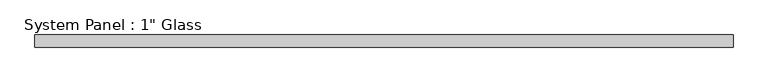
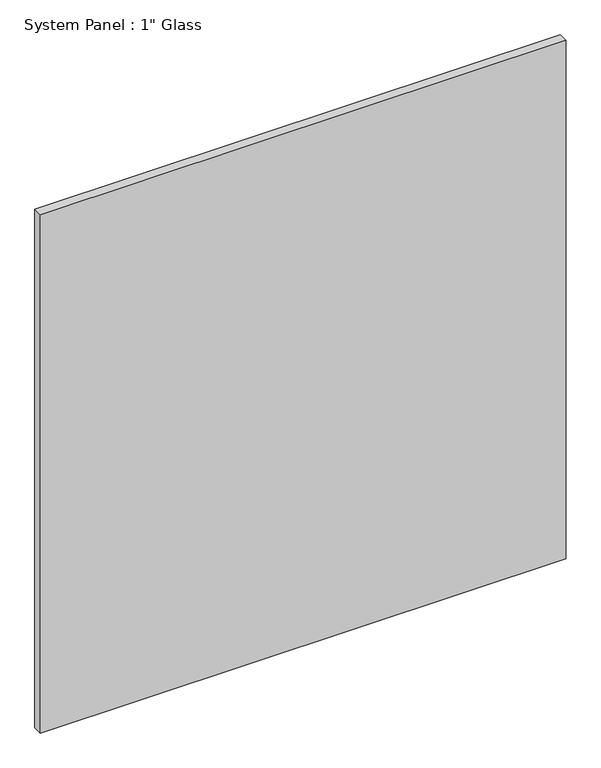
"""IFC4 building model written with IfcOpenShell, lengths in millimetres: plate geometry."""

from ifc_helpers import new_model, si_unit, origin, origin_with_axes, place, context, project, spatial, polyline, outline, extrude, source, transform, mapped, element, save


def plate_8c5c65bb(model_context):
    return source(origin(), model_context, "Body", "SweptSolid", [
        extrude(outline(polyline([(704.2720691, -12.7), (-704.2720691, -12.7), (-704.2720691, 12.7), (704.2720691, 12.7), (704.2720691, -12.7)])), origin_with_axes(), (0.0, 0.0, 1.0), 1468.0111731),
    ])


if __name__ == "__main__":
    model = new_model("IFC4")
    model_context = context("Model", 3, world=origin())
    ifc_project = project(units=[si_unit("LENGTHUNIT", "METRE", prefix="MILLI")], contexts=[model_context])
    site = spatial("IfcSite", under=ifc_project)
    building = spatial("IfcBuilding", under=site)
    placement = place(None, origin())
    plate_shape = plate_8c5c65bb(model_context)
    element("IfcPlate", 1, ObjectType="System Panel : 1\" Glass", at=placement, inside=building, context=model_context, shape_type="MappedRepresentation", body=[
        mapped(plate_shape, transform((0.0, 0.0, 0.0), x_axis=(1.0, 0.0, 0.0), y_axis=(0.0, 1.0, 0.0), z_axis=(0.0, 0.0, 1.0))),
    ])
    save(model, "model.ifc")
